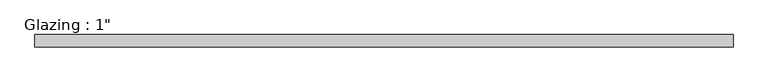
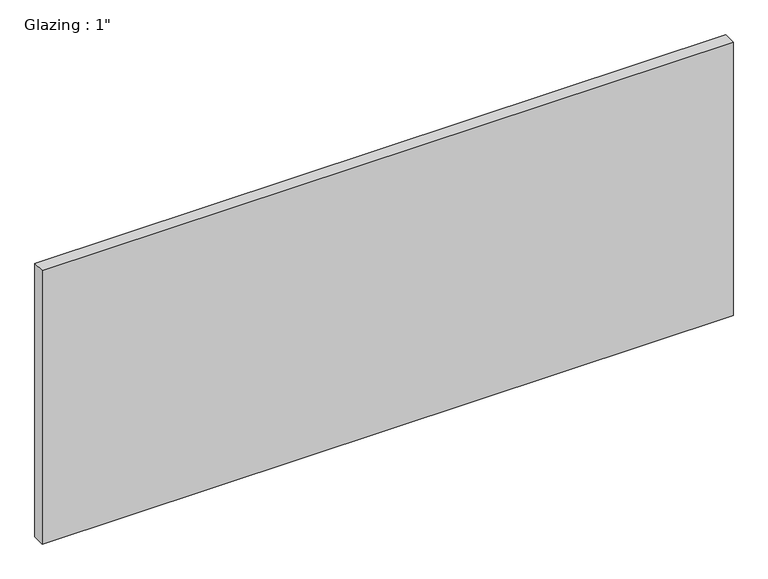
"""IFC4 building model written with IfcOpenShell, lengths in millimetres: plate geometry."""

from ifc_helpers import new_model, si_unit, origin, origin_with_axes, place, context, project, spatial, polyline, outline, extrude, source, transform, mapped, element, save


def plate_4df4c221(model_context):
    return source(origin(), model_context, "Body", "SweptSolid", [
        extrude(outline(polyline([(709.0714792, 12.7), (709.0714792, -12.7), (-709.0714792, -12.7), (-709.0714792, 12.7), (709.0714792, 12.7)])), origin_with_axes(), (0.0, 0.0, 1.0), 593.7249245),
    ])


if __name__ == "__main__":
    model = new_model("IFC4")
    model_context = context("Model", 3, world=origin())
    ifc_project = project(units=[si_unit("LENGTHUNIT", "METRE", prefix="MILLI")], contexts=[model_context])
    site = spatial("IfcSite", under=ifc_project)
    building = spatial("IfcBuilding", under=site)
    placement = place(None, origin())
    plate_shape = plate_4df4c221(model_context)
    element("IfcPlate", 1, ObjectType="Glazing : 1\"", at=placement, inside=building, context=model_context, shape_type="MappedRepresentation", body=[
        mapped(plate_shape, transform((0.0, 0.0, 0.0), x_axis=(1.0, 0.0, 0.0), y_axis=(0.0, 1.0, 0.0), z_axis=(0.0, 0.0, 1.0))),
    ])
    save(model, "model.ifc")
